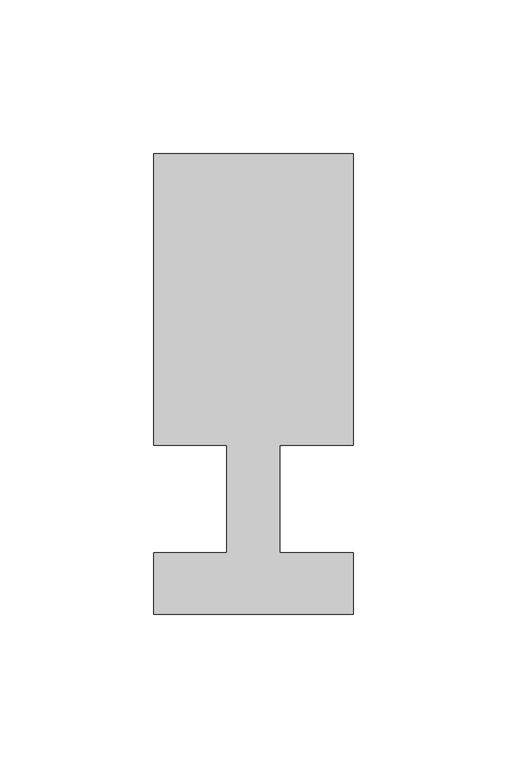
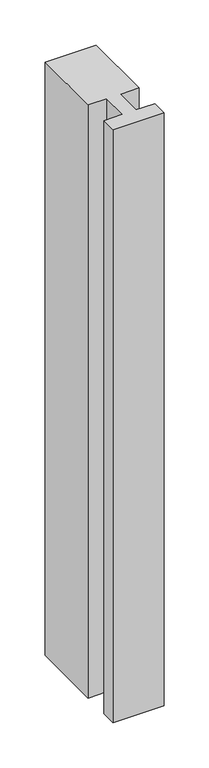
"""IFC4 building model written with IfcOpenShell, lengths in millimetres: member geometry."""

from ifc_helpers import new_model, si_unit, frame, origin, place, context, project, spatial, polyline, outline, extrude, source, transform, mapped, element, save


def member_e4368d18(model_context):
    return source(origin(), model_context, "Body", "SweptSolid", [
        extrude(outline(polyline([(0.0, -37.0), (-65.0, -37.0), (-65.0, -17.0), (-41.1875, -17.0), (-41.1875, 18.0), (-65.0, 18.0), (-65.0, 113.0), (0.0, 113.0), (0.0, 18.0), (-23.8125, 18.0), (-23.8125, -17.0), (0.0, -17.0), (0.0, -37.0)])), frame((0.0, 0.0, -800.0), z_axis=(0.0, 0.0, 1.0), x_axis=(1.0, 0.0, 0.0)), (0.0, 0.0, 1.0), 800.0),
    ])


if __name__ == "__main__":
    model = new_model("IFC4")
    model_context = context("Model", 3, world=origin())
    ifc_project = project(units=[si_unit("LENGTHUNIT", "METRE", prefix="MILLI")], contexts=[model_context])
    site = spatial("IfcSite", under=ifc_project)
    building = spatial("IfcBuilding", under=site)
    placement = place(None, origin())
    member_shape = member_e4368d18(model_context)
    element("IfcMember", 1, at=placement, inside=building, context=model_context, shape_type="MappedRepresentation", body=[
        mapped(member_shape, transform((0.0, 0.0, 0.0), x_axis=(1.0, 0.0, 0.0), y_axis=(0.0, 1.0, 0.0), z_axis=(0.0, 0.0, 1.0))),
    ])
    save(model, "model.ifc")
